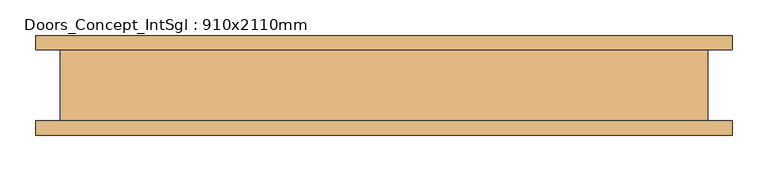
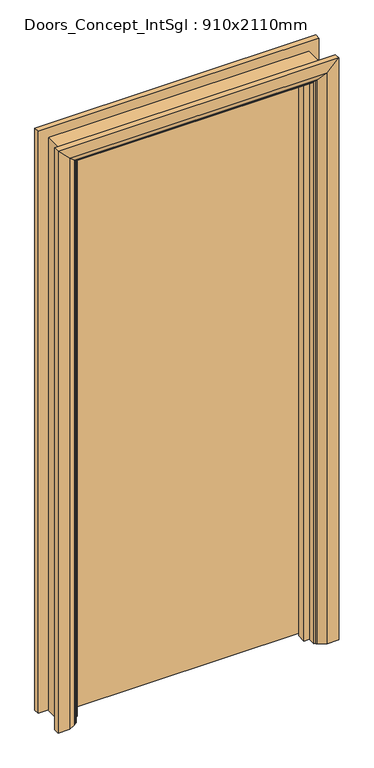
"""IFC4 building model written with IfcOpenShell, lengths in millimetres: door geometry, Doors_Concept_IntSgl : 910x2110mm."""

from ifc_helpers import new_model, si_unit, frame, origin, place, context, project, spatial, polyline, circle_curve, ellipse_curve, outline, extrude, faceted_brep, source, transform, mapped, element, save
from ifc_brep_helpers import plane_surface, cylinder_surface, advanced_brep


def doors_concept_intsgl_910x2110mm_a876d99e(model_context):
    return source(origin(), model_context, "Body", "SolidModel", [
        extrude(outline(polyline([(413.0, 12.0), (-413.0, 12.0), (-413.0, 50.0), (413.0, 50.0), (413.0, 12.0)])), frame((0.0, 0.0, 8.0), z_axis=(0.0, 0.0, 1.0), x_axis=(1.0, 0.0, 0.0)), (0.0, 0.0, 1.0), 2060.0),
        advanced_brep(
        [(490.0, 70.0, 0.0), (490.0, 50.0, 0.0), (420.0, 50.0, 0.0), (424.0, 56.0, 0.0), (450.0, 70.0, 0.0), (490.0, 70.0, 2145.0), (490.0, 50.0, 2145.0), (-490.0, 50.0, 2145.0), (-490.0, 50.0, 0.0), (-420.0, 50.0, 0.0), (-420.0, 50.0, 2075.0), (420.0, 50.0, 2075.0), (424.0, 56.0, 2079.0), (450.0, 70.0, 2105.0), (-450.0, 70.0, 2105.0), (-450.0, 70.0, 0.0), (-490.0, 70.0, 0.0), (-490.0, 70.0, 2145.0), (-424.0, 56.0, 0.0), (-424.0, 56.0, 2079.0)],
        [
            (0, 1),
            (1, 2),
            (2, 3, circle_curve(frame((428.0, 49.0, 0.0), z_axis=(0.0, 0.0, -1.0), x_axis=(1.0, 0.0, 0.0)), 8.0622577)),
            (3, 4),
            (4, 0),
            (0, 5),
            (5, 6),
            (6, 1),
            (6, 7),
            (7, 8),
            (8, 9),
            (9, 10),
            (10, 11),
            (11, 2),
            (11, 12, ellipse_curve(frame((428.0, 49.0, 2083.0), z_axis=(0.7071067811865475, 0.0, -0.7071067811865475), x_axis=(-0.7071067811865474, 0.0, -0.7071067811865476)), 11.4017543, 8.0622577)),
            (12, 3),
            (12, 13),
            (13, 4),
            (13, 14),
            (14, 15),
            (15, 16),
            (16, 17),
            (17, 5),
            (7, 17),
            (16, 8),
            (15, 18),
            (18, 9, circle_curve(frame((-428.0, 49.0, 0.0), z_axis=(0.0, 0.0, -1.0), x_axis=(-1.0, 0.0, 0.0)), 8.0622577)),
            (19, 10, ellipse_curve(frame((-428.0, 49.0, 2083.0), z_axis=(-0.7071067811865475, 0.0, -0.7071067811865475), x_axis=(-0.7071067811865474, 0.0, 0.7071067811865476)), 11.4017543, 8.0622577)),
            (18, 19),
            (14, 19),
            (19, 12),
        ],
        [
            plane_surface(frame((420.0, 50.0, 0.0), z_axis=(0.0, 0.0, -1.0), x_axis=(0.0, -1.0, 0.0))),
            plane_surface(frame((490.0, 70.0, 0.0), z_axis=(1.0, 0.0, 0.0), x_axis=(0.0, 0.0, 1.0))),
            plane_surface(frame((490.0, 50.0, 0.0), z_axis=(0.0, -1.0, 0.0), x_axis=(0.0, 0.0, 1.0))),
            cylinder_surface(frame((428.0, 49.0, 0.0), z_axis=(0.0, 0.0, -1.0), x_axis=(1.0, 0.0, 0.0)), 8.0622577),
            plane_surface(frame((424.0, 56.0, 0.0), z_axis=(-0.4740998230350126, 0.880471099922178, 0.0), x_axis=(0.0, 0.0, 1.0))),
            plane_surface(frame((450.0, 70.0, 0.0), z_axis=(0.0, 1.0, 0.0), x_axis=(0.0, 0.0, 1.0))),
            plane_surface(frame((-490.0, 70.0, 2145.0), z_axis=(-1.0, 0.0, 0.0), x_axis=(0.0, 0.0, -1.0))),
            plane_surface(frame((-420.0, 50.0, 0.0), z_axis=(0.0, 0.0, -1.0), x_axis=(0.0, -1.0, 0.0))),
            cylinder_surface(frame((-428.0, 49.0, 2075.0), z_axis=(0.0, 0.0, 1.0), x_axis=(-1.0, 0.0, 0.0)), 8.0622577),
            plane_surface(frame((-424.0, 56.0, 2079.0), z_axis=(0.47409982303501824, 0.8804710999221749, 0.0), x_axis=(0.0, 0.0, -1.0))),
            plane_surface(frame((490.0, 70.0, 2145.0), z_axis=(0.0, 0.0, 1.0), x_axis=(-1.0, 0.0, 0.0))),
            cylinder_surface(frame((420.0, 49.0, 2083.0), z_axis=(1.0, 0.0, 0.0), x_axis=(0.0, 0.0, 1.0)), 8.0622577),
            plane_surface(frame((424.0, 56.0, 2079.0), z_axis=(0.0, 0.8804710999221764, -0.4740998230350154), x_axis=(-1.0, 0.0, 0.0))),
        ],
        [
            (0, [[1, 2, 3, 4, 5]]),
            (1, [[-1, 6, 7, 8]]),
            (2, [[-2, -8, 9, 10, 11, 12, 13, 14]]),
            (3, [[-3, -14, 15, 16]]),
            (4, [[-4, -16, 17, 18]]),
            (5, [[-5, -18, 19, 20, 21, 22, 23, -6]]),
            (6, [[24, -22, 25, -10]]),
            (7, [[-21, 26, 27, -11, -25]]),
            (8, [[28, -12, -27, 29]]),
            (9, [[30, -29, -26, -20]]),
            (10, [[-7, -23, -24, -9]]),
            (11, [[-15, -13, -28, 31]]),
            (12, [[-17, -31, -30, -19]]),
        ],
    ),
        extrude(outline(polyline([(0.0, -415.0), (0.0, -396.0), (2051.0, -396.0), (2051.0, 396.0), (0.0, 396.0), (0.0, 415.0), (2070.0, 415.0), (2070.0, -415.0), (0.0, -415.0)])), frame((0.0, -22.0, 0.0), z_axis=(0.0, 1.0, 0.0), x_axis=(0.0, 0.0, 1.0)), (0.0, 0.0, 1.0), 32.0),
        advanced_brep(
        [(-490.0, -70.0, 0.0), (-490.0, -50.0, 0.0), (-420.0, -50.0, 0.0), (-424.0, -56.0, 0.0), (-450.0, -70.0, 0.0), (-490.0, -70.0, 2145.0), (-490.0, -50.0, 2145.0), (-420.0, -50.0, 2075.0), (-424.0, -56.0, 2079.0), (-450.0, -70.0, 2105.0), (490.0, -70.0, 0.0), (450.0, -70.0, 0.0), (424.0, -56.0, 0.0), (420.0, -50.0, 0.0), (490.0, -50.0, 0.0), (490.0, -70.0, 2145.0), (450.0, -70.0, 2105.0), (424.0, -56.0, 2079.0), (420.0, -50.0, 2075.0), (490.0, -50.0, 2145.0)],
        [
            (0, 1),
            (1, 2),
            (2, 3, circle_curve(frame((-428.0, -49.0, 0.0), z_axis=(0.0, 0.0, -1.0), x_axis=(-1.0, 0.0, 0.0)), 8.0622577)),
            (3, 4),
            (4, 0),
            (0, 5),
            (5, 6),
            (6, 1),
            (6, 7),
            (7, 2),
            (7, 8, ellipse_curve(frame((-428.0, -49.0, 2083.0), z_axis=(-0.7071067811865475, 0.0, -0.7071067811865475), x_axis=(0.7071067811865474, 0.0, -0.7071067811865476)), 11.4017543, 8.0622577)),
            (8, 3),
            (8, 9),
            (9, 4),
            (9, 5),
            (10, 11),
            (11, 12),
            (12, 13, circle_curve(frame((428.0, -49.0, 0.0), z_axis=(0.0, 0.0, -1.0), x_axis=(1.0, 0.0, 0.0)), 8.0622577)),
            (13, 14),
            (14, 10),
            (15, 16),
            (16, 11),
            (10, 15),
            (16, 17),
            (17, 12),
            (17, 18, ellipse_curve(frame((428.0, -49.0, 2083.0), z_axis=(0.7071067811865475, 0.0, -0.7071067811865475), x_axis=(0.7071067811865474, 0.0, 0.7071067811865476)), 11.4017543, 8.0622577)),
            (18, 13),
            (18, 19),
            (19, 14),
            (19, 15),
            (5, 15),
            (19, 6),
            (18, 7),
            (17, 8),
            (16, 9),
        ],
        [
            plane_surface(frame((-420.0, -122.8010989, 0.0), z_axis=(0.0, 0.0, -1.0), x_axis=(1.0, 0.0, 0.0))),
            plane_surface(frame((-490.0, -70.0, 0.0), z_axis=(-1.0, 0.0, 0.0), x_axis=(0.0, 0.0, 1.0))),
            plane_surface(frame((-490.0, -50.0, 0.0), z_axis=(0.0, 1.0, 0.0), x_axis=(0.0, 0.0, 1.0))),
            cylinder_surface(frame((-428.0, -49.0, 0.0), z_axis=(0.0, 0.0, -1.0), x_axis=(-1.0, 0.0, 0.0)), 8.0622577),
            plane_surface(frame((-424.0, -56.0, 0.0), z_axis=(0.4740998230350183, -0.8804710999221749, 0.0), x_axis=(0.0, 0.0, 1.0))),
            plane_surface(frame((-450.0, -70.0, 0.0), z_axis=(0.0, -1.0, 0.0), x_axis=(0.0, 0.0, 1.0))),
            plane_surface(frame((420.0, -122.8010989, 0.0), z_axis=(0.0, 0.0, -1.0), x_axis=(-1.0, 0.0, 0.0))),
            plane_surface(frame((450.0, -70.0, 2105.0), z_axis=(0.0, -1.0, 0.0), x_axis=(0.0, 0.0, -1.0))),
            plane_surface(frame((424.0, -56.0, 2079.0), z_axis=(-0.4740998230350183, -0.8804710999221749, 0.0), x_axis=(0.0, 0.0, -1.0))),
            cylinder_surface(frame((428.0, -49.0, 2075.0), z_axis=(0.0, 0.0, 1.0), x_axis=(1.0, 0.0, 0.0)), 8.0622577),
            plane_surface(frame((490.0, -50.0, 2145.0), z_axis=(0.0, 1.0, 0.0), x_axis=(0.0, 0.0, -1.0))),
            plane_surface(frame((490.0, -70.0, 2145.0), z_axis=(1.0, 0.0, 0.0), x_axis=(0.0, 0.0, -1.0))),
            plane_surface(frame((-490.0, -70.0, 2145.0), z_axis=(0.0, 0.0, 1.0), x_axis=(1.0, 0.0, 0.0))),
            plane_surface(frame((-490.0, -50.0, 2145.0), z_axis=(0.0, 1.0, 0.0), x_axis=(1.0, 0.0, 0.0))),
            cylinder_surface(frame((-420.0, -49.0, 2083.0), z_axis=(-1.0, 0.0, 0.0), x_axis=(0.0, 0.0, 1.0)), 8.0622577),
            plane_surface(frame((-424.0, -56.0, 2079.0), z_axis=(0.0, -0.8804710999221749, -0.4740998230350183), x_axis=(1.0, 0.0, 0.0))),
            plane_surface(frame((-450.0, -70.0, 2105.0), z_axis=(0.0, -1.0, 0.0), x_axis=(1.0, 0.0, 0.0))),
        ],
        [
            (0, [[1, 2, 3, 4, 5]]),
            (1, [[-1, 6, 7, 8]]),
            (2, [[-2, -8, 9, 10]]),
            (3, [[-3, -10, 11, 12]]),
            (4, [[-4, -12, 13, 14]]),
            (5, [[-5, -14, 15, -6]]),
            (6, [[16, 17, 18, 19, 20]]),
            (7, [[21, 22, -16, 23]]),
            (8, [[24, 25, -17, -22]]),
            (9, [[26, 27, -18, -25]]),
            (10, [[28, 29, -19, -27]]),
            (11, [[30, -23, -20, -29]]),
            (12, [[-7, 31, -30, 32]]),
            (13, [[-9, -32, -28, 33]]),
            (14, [[-11, -33, -26, 34]]),
            (15, [[-13, -34, -24, 35]]),
            (16, [[-15, -35, -21, -31]]),
        ],
    ),
        faceted_brep([(-415.0, -50.0, 0.0), (-455.0, -50.0, 0.0), (-455.0, 50.0, 0.0), (-415.0, 50.0, 0.0), (-415.0, -50.0, 2070.0), (-455.0, -50.0, 2110.0), (-455.0, 50.0, 2110.0), (-415.0, 50.0, 2070.0), (415.0, -50.0, 0.0), (415.0, 50.0, 0.0), (455.0, 50.0, 0.0), (455.0, -50.0, 0.0), (415.0, -50.0, 2070.0), (415.0, 50.0, 2070.0), (455.0, 50.0, 2110.0), (455.0, -50.0, 2110.0)], [[[0, 1, 2, 3]], [[1, 0, 4, 5]], [[2, 1, 5, 6]], [[3, 2, 6, 7]], [[0, 3, 7, 4]], [[8, 9, 10, 11]], [[12, 13, 9, 8]], [[13, 14, 10, 9]], [[14, 15, 11, 10]], [[15, 12, 8, 11]], [[5, 4, 12, 15]], [[6, 5, 15, 14]], [[7, 6, 14, 13]], [[4, 7, 13, 12]]]),
    ])


if __name__ == "__main__":
    model = new_model("IFC4")
    model_context = context("Model", 3, world=origin())
    ifc_project = project(units=[si_unit("LENGTHUNIT", "METRE", prefix="MILLI")], contexts=[model_context])
    site = spatial("IfcSite", under=ifc_project)
    building = spatial("IfcBuilding", under=site)
    placement = place(None, origin())
    doors_concept_intsgl_910x2110mm_shape = doors_concept_intsgl_910x2110mm_a876d99e(model_context)
    element("IfcDoor", 1, ObjectType="Doors_Concept_IntSgl : 910x2110mm", at=placement, inside=building, context=model_context, shape_type="MappedRepresentation", body=[
        mapped(doors_concept_intsgl_910x2110mm_shape, transform((0.0, 0.0, 0.0), x_axis=(1.0, 0.0, 0.0), y_axis=(0.0, 1.0, 0.0), z_axis=(0.0, 0.0, 1.0))),
    ])
    save(model, "model.ifc")
